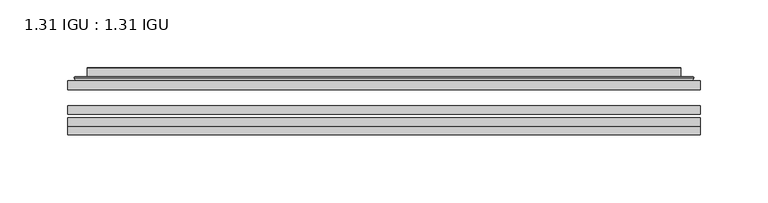
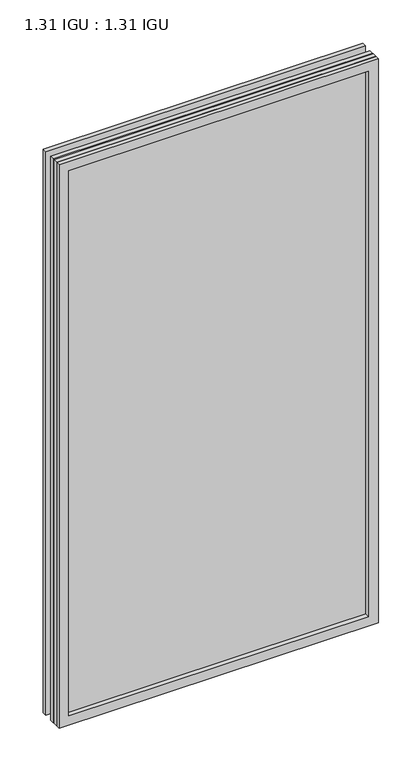
"""IFC4 building model written with IfcOpenShell, lengths in millimetres: plate geometry, 1.31 IGU : 1.31 IGU."""

import ifcopenshell
import ifcopenshell.guid

model = None  # the IFC model being written
_history = None  # IfcOwnerHistory: only IFC2X3 demands one
_inside = {}  # id of a spatial element -> (the spatial element, [elements in it])
_under = {}  # id of a project, library or spatial element -> (it, [spatial elements below it])
_declared = {}  # id of a project -> (the project, [libraries it declares])
_typed = {}  # id of a type object -> (the type object, [elements of that type])
_made_of = {}  # id of a material, layer set ... -> (it, [elements and type objects made of it])


def new_model(schema):
    """Start an empty IFC model of exactly this schema.

    Asked for "IFC4X3", IfcOpenShell would pick the latest addendum, in which some entities
    have other attributes; the version numbers below select the first issue.
    IFC2X3 requires an IfcOwnerHistory on every rooted entity: one is made here for all.
    """
    global model, _history
    if schema == "IFC4X3":
        model = ifcopenshell.file(schema_version=(4, 3, 0, 0))
    else:
        model = ifcopenshell.file(schema=schema)
    _inside.clear()
    _under.clear()
    _declared.clear()
    _typed.clear()
    _made_of.clear()
    _history = None
    if model.schema == "IFC2X3":
        org = make("IfcOrganization", Name="unknown")
        user = make(
            "IfcPersonAndOrganization",
            ThePerson=make("IfcPerson", FamilyName="unknown"),
            TheOrganization=org,
        )
        app = make(
            "IfcApplication",
            ApplicationDeveloper=org,
            Version="unknown",
            ApplicationFullName="unknown",
            ApplicationIdentifier="unknown",
        )
        _history = make(
            "IfcOwnerHistory",
            OwningUser=user,
            OwningApplication=app,
            ChangeAction="ADDED",
            CreationDate=0,
        )
    return model


def make(cls, **values):
    """One entity of the class cls with the attributes given. An attribute that is None is left unset."""
    return model.create_entity(
        cls, **{name: value for name, value in values.items() if value is not None}
    )


def rooted(cls, **values):
    """An entity with a GlobalId (a new one), such as an element, a storey or a relation."""
    return make(cls, GlobalId=ifcopenshell.guid.new(), OwnerHistory=_history, **values)


def si_unit(unit_type, name, prefix=None):
    """IfcSIUnit, for example si_unit("LENGTHUNIT", "METRE", prefix="MILLI")."""
    return make("IfcSIUnit", UnitType=unit_type, Prefix=prefix, Name=name)


def assignment(units):
    """IfcUnitAssignment: the units of a project."""
    return None if units is None else make("IfcUnitAssignment", Units=units)


def point(xyz):
    """IfcCartesianPoint."""
    return None if xyz is None else make("IfcCartesianPoint", Coordinates=xyz)


def direction(xyz):
    """IfcDirection."""
    return None if xyz is None else make("IfcDirection", DirectionRatios=xyz)


def frame(location, z_axis=None, x_axis=None):
    """IfcAxis2Placement3D, a coordinate frame: its origin and axes. An axis left out is left unset."""
    return make(
        "IfcAxis2Placement3D",
        Location=point(location),
        Axis=direction(z_axis),
        RefDirection=direction(x_axis),
    )


def origin():
    """The frame at (0, 0, 0) with its axes left unset."""
    return frame((0.0, 0.0, 0.0))


def place(relative_to, where):
    """IfcLocalPlacement: puts the frame where relative to a parent placement (None: the world)."""
    return make(
        "IfcLocalPlacement", PlacementRelTo=relative_to, RelativePlacement=where
    )


def context(
    kind, dimensions, precision=None, world=None, true_north=None, identifier=None
):
    """IfcGeometricRepresentationContext, for example the 3D "Model" context."""
    return make(
        "IfcGeometricRepresentationContext",
        ContextIdentifier=identifier,
        ContextType=kind,
        CoordinateSpaceDimension=dimensions,
        Precision=precision,
        WorldCoordinateSystem=world,
        TrueNorth=true_north,
    )


def project(units=None, contexts=None):
    """IfcProject with its units and contexts."""
    return rooted(
        "IfcProject",
        Name="project",
        RepresentationContexts=contexts,
        UnitsInContext=assignment(units),
    )


def spatial(cls, under=None, at=None, **own):
    """A site, building, storey or space (cls), placed at a placement, below another one or the project."""
    s = rooted(cls, ObjectPlacement=at, **own)
    if under is not None:
        _under.setdefault(under.id(), (under, []))[1].append(s)
    return s


def polyline(points):
    """IfcPolyline through the points."""
    return make("IfcPolyline", Points=[point(p) for p in points])


def ellipse_curve(where, semi_axis1, semi_axis2):
    """IfcEllipse in the frame where."""
    return make(
        "IfcEllipse", Position=where, SemiAxis1=semi_axis1, SemiAxis2=semi_axis2
    )


def outline(outer, holes=None, kind="AREA"):
    """IfcArbitraryClosedProfileDef: a profile drawn as a closed curve; with holes, ...WithVoids."""
    if holes is None:
        return make("IfcArbitraryClosedProfileDef", ProfileType=kind, OuterCurve=outer)
    return make(
        "IfcArbitraryProfileDefWithVoids",
        ProfileType=kind,
        OuterCurve=outer,
        InnerCurves=holes,
    )


def extrude(swept, where, along, depth):
    """IfcExtrudedAreaSolid: the profile swept, set in the frame where, extruded along a direction by depth."""
    return make(
        "IfcExtrudedAreaSolid",
        SweptArea=swept,
        Position=where,
        ExtrudedDirection=direction(along),
        Depth=depth,
    )


def faces_of(points, faces, orient=None, outer=None):
    """IfcFace entities. A face is a list of loops; a loop is a list of indices into points, from 0.

    orient and outer hold one flag for each loop. By default every Orientation is true, the
    first loop of a face is its IfcFaceOuterBound and the others are IfcFaceBound.
    """
    made = []
    for i, loops in enumerate(faces):
        bounds = []
        for j, loop in enumerate(loops):
            is_outer = j == 0 if outer is None else outer[i][j]
            bounds.append(
                make(
                    "IfcFaceOuterBound" if is_outer else "IfcFaceBound",
                    Bound=make("IfcPolyLoop", Polygon=[points[k] for k in loop]),
                    Orientation=True if orient is None else orient[i][j],
                )
            )
        made.append(make("IfcFace", Bounds=bounds))
    return made


def faceted_brep(points, faces, orient=None, outer=None, voids=None):
    """IfcFacetedBrep: a solid bounded by flat faces; with voids (closed shells), ...WithVoids."""
    shared = [point(p) for p in points]
    hull = make("IfcClosedShell", CfsFaces=faces_of(shared, faces, orient, outer))
    if voids is None:
        return make("IfcFacetedBrep", Outer=hull)
    return make(
        "IfcFacetedBrepWithVoids",
        Outer=hull,
        Voids=[
            make(cls, CfsFaces=faces_of(shared, fs, o, b)) for cls, fs, o, b in voids
        ],
    )


def shape(context_of_items, identifier, shape_type, items):
    """IfcShapeRepresentation: the items that make up one representation, for example the "Body"."""
    return make(
        "IfcShapeRepresentation",
        ContextOfItems=context_of_items,
        RepresentationIdentifier=identifier,
        RepresentationType=shape_type,
        Items=items,
    )


def source(mapping_origin, context_of_items, identifier, shape_type, items):
    """IfcRepresentationMap: a shape defined once, which mapped items show again and again."""
    return make(
        "IfcRepresentationMap",
        MappingOrigin=mapping_origin,
        MappedRepresentation=shape(context_of_items, identifier, shape_type, items),
    )


def transform(
    local_origin,
    x_axis=None,
    y_axis=None,
    z_axis=None,
    scale=None,
    scale2=None,
    scale3=None,
    uniform=True,
):
    """IfcCartesianTransformationOperator3D, or its non-uniform kind. x_axis, y_axis, z_axis: its Axis1, 2, 3."""
    if uniform:
        return make(
            "IfcCartesianTransformationOperator3D",
            Axis1=direction(x_axis),
            Axis2=direction(y_axis),
            LocalOrigin=point(local_origin),
            Scale=scale,
            Axis3=direction(z_axis),
        )
    return make(
        "IfcCartesianTransformationOperator3DnonUniform",
        Axis1=direction(x_axis),
        Axis2=direction(y_axis),
        LocalOrigin=point(local_origin),
        Scale=scale,
        Axis3=direction(z_axis),
        Scale2=scale2,
        Scale3=scale3,
    )


def mapped(mapping_source, mapping_target):
    """IfcMappedItem: shows the shape of a source again, moved by a transform."""
    return make(
        "IfcMappedItem", MappingSource=mapping_source, MappingTarget=mapping_target
    )


def made_of(thing, what):
    """Note that an element or type object is made of a material, layer set ...; save() writes the relation."""
    if what is not None:
        _made_of.setdefault(what.id(), (what, []))[1].append(thing)
    return thing


def element(
    cls,
    number,
    at=None,
    inside=None,
    cuts=None,
    type_object=None,
    material=None,
    context=None,
    identifier="Body",
    shape_type=None,
    held_by="IfcProductDefinitionShape",
    body=None,
    shapes=None,
    **own,
):
    """One element of the class cls, such as IfcWall. Its Tag is "e" and its number.

    at: its placement. inside: the storey or other place that contains it. cuts: it is an
    opening in that element (IfcRelVoidsElement). A single representation is given by context,
    identifier, shape_type and body (its items); several are given by shapes. held_by: the class
    of the entity that holds the representations. save() writes the other relations.
    """
    e = rooted(cls, Tag="e%d" % number, ObjectPlacement=at, **own)
    if body is not None:
        shapes = [shape(context, identifier, shape_type, body)]
    if shapes is not None:
        e.Representation = make(held_by, Representations=shapes)
    if inside is not None:
        _inside.setdefault(inside.id(), (inside, []))[1].append(e)
    if cuts is not None:
        rooted(
            "IfcRelVoidsElement", RelatingBuildingElement=cuts, RelatedOpeningElement=e
        )
    if type_object is not None:
        _typed.setdefault(type_object.id(), (type_object, []))[1].append(e)
    return made_of(e, material)


def aggregate(whole, parts):
    """IfcRelAggregates: a whole, such as a stair, and the parts it consists of."""
    return rooted("IfcRelAggregates", RelatingObject=whole, RelatedObjects=parts)


def save(model, path):
    """Write the relations noted so far, then the file.

    IfcRelAggregates (storeys below a building ...), IfcRelContainedInSpatialStructure (elements
    in a storey), IfcRelDefinesByType, IfcRelAssociatesMaterial and IfcRelDeclares: one each for
    every whole, place, type object, material and project.
    """
    for whole, parts in _under.values():
        aggregate(whole, parts)
    for where, things in _inside.values():
        rooted(
            "IfcRelContainedInSpatialStructure",
            RelatedElements=things,
            RelatingStructure=where,
        )
    for kind, things in _typed.values():
        rooted("IfcRelDefinesByType", RelatedObjects=things, RelatingType=kind)
    for what, things in _made_of.values():
        rooted("IfcRelAssociatesMaterial", RelatedObjects=things, RelatingMaterial=what)
    for by, libraries in _declared.values():
        rooted("IfcRelDeclares", RelatingContext=by, RelatedDefinitions=libraries)
    model.write(path)


def plane_surface(at):
    """IfcPlane: the flat surface through the origin of the frame at, square to its z axis."""
    return make("IfcPlane", Position=at)


def cylinder_surface(at, radius):
    """IfcCylindricalSurface: all points at the distance radius from the z axis of the frame at."""
    return make("IfcCylindricalSurface", Position=at, Radius=radius)


def advanced_brep(points, edges, surfaces, faces):
    """IfcAdvancedBrep: a solid bounded by faces that lie on surfaces and meet in shared edges.

    An edge is (start, end): straight between two places in points (the first is 0);
    or (start, end, curve); or (start, end, curve, False) where it runs against its curve.
    A face is (place in surfaces, loops), or (place, loops, False) where it looks against
    its surface's normal. A loop lists edges by number (the first is 1), with a minus sign
    where the edge is run from its end to its start. The first loop is the outer one.
    """
    corners = [point(p) for p in points]
    vertices = [make("IfcVertexPoint", VertexGeometry=c) for c in corners]
    made = []
    for start, end, *more in edges:
        made.append(
            make(
                "IfcEdgeCurve",
                EdgeStart=vertices[start],
                EdgeEnd=vertices[end],
                EdgeGeometry=more[0] if more else make("IfcPolyline", Points=[corners[start], corners[end]]),
                SameSense=more[1] if len(more) > 1 else True,
            )
        )
    hull = []
    for where, loops, *sense in faces:
        bounds = []
        for j, loop in enumerate(loops):
            ring = [make("IfcOrientedEdge", EdgeElement=made[abs(k) - 1], Orientation=k > 0) for k in loop]
            bounds.append(
                make(
                    "IfcFaceOuterBound" if j == 0 else "IfcFaceBound",
                    Bound=make("IfcEdgeLoop", EdgeList=ring),
                    Orientation=True,
                )
            )
        hull.append(make("IfcAdvancedFace", Bounds=bounds, FaceSurface=surfaces[where], SameSense=sense[0] if sense else True))
    return make("IfcAdvancedBrep", Outer=make("IfcClosedShell", CfsFaces=hull))


def plate_1_31_igu_1_31_igu_06c641ed(model_context):
    return source(origin(), model_context, "Body", "SolidModel", [
        extrude(outline(polyline([(233.376675, -63.2975937), (233.376675, -69.6475938), (-233.3625, -69.6475938), (-233.3625, -63.2975937), (233.376675, -63.2975937)])), frame((0.0, 0.0, -14.2875), z_axis=(0.0, 0.0, 1.0), x_axis=(1.0, 0.0, 0.0)), (0.0, 0.0, 1.0), 869.9537979),
        extrude(outline(polyline([(-233.3625, -78.2835938), (-233.3625, -71.9330887), (233.376675, -71.9330887), (233.376675, -78.2835938), (-233.3625, -78.2835938)])), frame((0.0, 0.0, -14.2875), z_axis=(0.0, 0.0, 1.0), x_axis=(1.0, 0.0, 0.0)), (0.0, 0.0, 1.0), 869.9537979),
        extrude(outline(polyline([(233.376675, -44.9587937), (233.376675, -51.3087938), (-233.3625, -51.3087938), (-233.3625, -44.9587937), (233.376675, -44.9587937)])), frame((0.0, 0.0, -14.2875), z_axis=(0.0, 0.0, 1.0), x_axis=(1.0, 0.0, 0.0)), (0.0, 0.0, 1.0), 869.9537979),
        faceted_brep([(-233.3752, -84.6335937, 855.6752), (-233.3752, -78.2835937, 855.6752), (-233.3752, -78.2835937, -14.3002), (-233.3752, -84.6335937, -14.3002), (233.3752, -78.2835937, -14.3002), (233.3752, -84.6335937, -14.3002), (233.3752, -78.2835937, 855.6752), (233.3752, -84.6335937, 855.6752), (-218.1772559, -78.2835937, 0.8977441), (218.1772559, -78.2835937, 0.8977441), (218.1772559, -78.2835937, 840.4772559), (-218.1772559, -78.2835937, 840.4772559), (-219.0696902, -84.6335937, 841.3696902), (219.0696902, -84.6335937, 841.3696902), (219.0696902, -84.6335937, 0.0053098), (-219.0696902, -84.6335937, 0.0053098)], [[[0, 1, 2, 3]], [[3, 2, 4, 5]], [[5, 4, 6, 7]], [[1, 6, 4, 2], [8, 9, 10, 11]], [[7, 6, 1, 0]], [[3, 5, 7, 0], [12, 13, 14, 15]], [[11, 12, 15, 8]], [[8, 15, 14, 9]], [[9, 14, 13, 10]], [[10, 13, 12, 11]]]),
        advanced_brep(
        [(-226.121219, -44.9587937, 848.421219), (-228.4754244, -42.9691271, 850.7754244), (-228.4754244, -42.9691271, -9.4004244), (-226.121219, -44.9587937, -7.046219), (-217.0468939, -41.1187568, 839.3468939), (-212.1120621, -44.9587937, 834.4120621), (-212.1120621, -44.9587937, 6.9629379), (-217.0468939, -41.1187568, 2.0281061), (-218.0789217, -35.7215256, 840.3789217), (-218.0789217, -35.7215256, 0.9960783), (-219.0695784, -35.3225507, 841.3695784), (-219.0695784, -35.3225507, 0.0054216), (-219.0695784, -41.7837937, 841.3695784), (-219.0695784, -41.7837937, 0.0054216), (-227.4736349, -41.7837937, 849.7736349), (-227.4736349, -41.7837937, -8.3986349), (228.4754244, -42.9691271, -9.4004244), (226.121219, -44.9587937, -7.046219), (212.1120621, -44.9587937, 6.9629379), (217.0468939, -41.1187568, 2.0281061), (218.0789217, -35.7215256, 0.9960783), (219.0695784, -35.3225507, 0.0054216), (219.0695784, -41.7837937, 0.0054216), (227.4736349, -41.7837937, -8.3986349), (228.4754244, -42.9691271, 850.7754244), (226.121219, -44.9587937, 848.421219), (212.1120621, -44.9587937, 834.4120621), (217.0468939, -41.1187568, 839.3468939), (218.0789217, -35.7215256, 840.3789217), (219.0695784, -35.3225507, 841.3695784), (219.0695784, -41.7837937, 841.3695784), (227.4736349, -41.7837937, 849.7736349)],
        [
            (0, 1, ellipse_curve(frame((-226.121219, -42.5711937, 848.421219), z_axis=(-0.7071067811865475, 0.0, -0.7071067811865475), x_axis=(-0.7071067811865474, 0.0, 0.7071067811865476)), 3.3765763, 2.3876)),
            (1, 2),
            (2, 3, ellipse_curve(frame((-226.121219, -42.5711937, -7.046219), z_axis=(-0.7071067811865475, 0.0, 0.7071067811865475), x_axis=(0.7071067811865474, 0.0, 0.7071067811865476)), 3.3765763, 2.3876)),
            (3, 0),
            (4, 5),
            (5, 6),
            (6, 7),
            (7, 4),
            (8, 4),
            (7, 9),
            (9, 8),
            (10, 8, ellipse_curve(frame((-218.7026219, -35.840786, 841.0026219), z_axis=(-0.7071067811865475, 0.0, -0.7071067811865475), x_axis=(-0.7071067811865474, 0.0, 0.7071067811865476)), 0.8980256, 0.635)),
            (9, 11, ellipse_curve(frame((-218.7026219, -35.840786, 0.3723781), z_axis=(-0.7071067811865475, 0.0, 0.7071067811865475), x_axis=(0.7071067811865474, 0.0, 0.7071067811865476)), 0.8980256, 0.635)),
            (11, 10),
            (12, 10),
            (11, 13),
            (13, 12),
            (1, 14, ellipse_curve(frame((-227.4736349, -42.7997937, 849.7736349), z_axis=(-0.7071067811865475, 0.0, -0.7071067811865475), x_axis=(-0.7071067811865474, 0.0, 0.7071067811865476)), 1.436841, 1.016)),
            (14, 15),
            (15, 2, ellipse_curve(frame((-227.4736349, -42.7997937, -8.3986349), z_axis=(-0.7071067811865475, 0.0, 0.7071067811865475), x_axis=(0.7071067811865474, 0.0, 0.7071067811865476)), 1.436841, 1.016)),
            (2, 16),
            (16, 17, ellipse_curve(frame((226.121219, -42.5711937, -7.046219), z_axis=(-0.7071067811865475, 0.0, -0.7071067811865475), x_axis=(-0.7071067811865476, 0.0, 0.7071067811865474)), 3.3765763, 2.3876)),
            (17, 3),
            (6, 18),
            (18, 19),
            (19, 7),
            (19, 20),
            (20, 9),
            (20, 21, ellipse_curve(frame((218.7026219, -35.840786, 0.3723781), z_axis=(-0.7071067811865475, 0.0, -0.7071067811865475), x_axis=(-0.7071067811865476, 0.0, 0.7071067811865474)), 0.8980256, 0.635)),
            (21, 11),
            (21, 22),
            (22, 13),
            (15, 23),
            (23, 16, ellipse_curve(frame((227.4736349, -42.7997937, -8.3986349), z_axis=(-0.7071067811865475, 0.0, -0.7071067811865475), x_axis=(-0.7071067811865476, 0.0, 0.7071067811865474)), 1.436841, 1.016)),
            (16, 24),
            (24, 25, ellipse_curve(frame((226.121219, -42.5711937, 848.421219), z_axis=(0.7071067811865475, 0.0, -0.7071067811865475), x_axis=(-0.7071067811865474, 0.0, -0.7071067811865476)), 3.3765763, 2.3876)),
            (25, 17),
            (18, 26),
            (26, 27),
            (27, 19),
            (27, 28),
            (28, 20),
            (28, 29, ellipse_curve(frame((218.7026219, -35.840786, 841.0026219), z_axis=(0.7071067811865475, 0.0, -0.7071067811865475), x_axis=(-0.7071067811865474, 0.0, -0.7071067811865476)), 0.8980256, 0.635)),
            (29, 21),
            (29, 30),
            (30, 22),
            (23, 31),
            (31, 24, ellipse_curve(frame((227.4736349, -42.7997937, 849.7736349), z_axis=(0.7071067811865475, 0.0, -0.7071067811865475), x_axis=(-0.7071067811865474, 0.0, -0.7071067811865476)), 1.436841, 1.016)),
            (24, 1),
            (0, 25),
            (5, 26),
            (4, 27),
            (8, 28),
            (10, 29),
            (12, 30),
            (14, 31),
        ],
        [
            cylinder_surface(frame((-226.121219, -42.5711937, 873.125), z_axis=(0.0, 0.0, 1.0), x_axis=(-1.0, 0.0, 0.0)), 2.3876),
            plane_surface(frame((-212.1120621, -44.9587937, 834.4120621), z_axis=(0.6141233906514794, 0.7892100234124821, 0.0), x_axis=(0.0, 0.0, -1.0))),
            plane_surface(frame((-217.0468939, -41.1187568, 839.3468939), z_axis=(0.9822050625507729, 0.18781164793386074, 0.0), x_axis=(0.0, 0.0, -1.0))),
            cylinder_surface(frame((-218.7026219, -35.840786, 873.125), z_axis=(0.0, 0.0, 1.0), x_axis=(-1.0, 0.0, 0.0)), 0.635),
            plane_surface(frame((-219.0695784, -35.3225507, 841.3695784), z_axis=(-1.0, 0.0, 0.0), x_axis=(0.0, 0.0, -1.0))),
            cylinder_surface(frame((-227.4736349, -42.7997937, 873.125), z_axis=(0.0, 0.0, 1.0), x_axis=(-1.0, 0.0, 0.0)), 1.016),
            cylinder_surface(frame((-250.825, -42.5711937, -7.046219), z_axis=(-1.0, 0.0, 0.0), x_axis=(0.0, 0.0, -1.0)), 2.3876),
            plane_surface(frame((-212.1120621, -44.9587937, 6.9629379), z_axis=(0.0, 0.7892100234124841, 0.6141233906514768), x_axis=(1.0, 0.0, 0.0))),
            plane_surface(frame((-217.0468939, -41.1187568, 2.0281061), z_axis=(0.0, 0.18781164793386393, 0.9822050625507723), x_axis=(1.0, 0.0, 0.0))),
            cylinder_surface(frame((-250.825, -35.840786, 0.3723781), z_axis=(-1.0, 0.0, 0.0), x_axis=(0.0, 0.0, -1.0)), 0.635),
            plane_surface(frame((-219.0695784, -35.3225507, 0.0054216), z_axis=(0.0, 0.0, -1.0), x_axis=(1.0, 0.0, 0.0))),
            cylinder_surface(frame((-250.825, -42.7997937, -8.3986349), z_axis=(-1.0, 0.0, 0.0), x_axis=(0.0, 0.0, -1.0)), 1.016),
            cylinder_surface(frame((226.121219, -42.5711937, -31.75), z_axis=(0.0, 0.0, -1.0), x_axis=(1.0, 0.0, 0.0)), 2.3876),
            plane_surface(frame((212.1120621, -44.9587937, 6.9629379), z_axis=(-0.6141233906514743, 0.7892100234124861, 0.0), x_axis=(0.0, 0.0, 1.0))),
            plane_surface(frame((217.0468939, -41.1187568, 2.0281061), z_axis=(-0.9822050625507718, 0.18781164793386712, 0.0), x_axis=(0.0, 0.0, 1.0))),
            cylinder_surface(frame((218.7026219, -35.840786, -31.75), z_axis=(0.0, 0.0, -1.0), x_axis=(1.0, 0.0, 0.0)), 0.635),
            plane_surface(frame((219.0695784, -35.3225507, 0.0054216), z_axis=(1.0, 0.0, 0.0), x_axis=(0.0, 0.0, 1.0))),
            cylinder_surface(frame((227.4736349, -42.7997937, -31.75), z_axis=(0.0, 0.0, -1.0), x_axis=(1.0, 0.0, 0.0)), 1.016),
            cylinder_surface(frame((250.825, -42.5711937, 848.421219), z_axis=(1.0, 0.0, 0.0), x_axis=(0.0, 0.0, 1.0)), 2.3876),
            plane_surface(frame((226.121219, -44.9587937, 848.421219), z_axis=(0.0, -1.0, 0.0), x_axis=(-1.0, 0.0, 0.0))),
            plane_surface(frame((212.1120621, -44.9587937, 834.4120621), z_axis=(0.0, 0.7892100234124841, -0.6141233906514768), x_axis=(-1.0, 0.0, 0.0))),
            plane_surface(frame((217.0468939, -41.1187568, 839.3468939), z_axis=(0.0, 0.18781164793386393, -0.9822050625507723), x_axis=(-1.0, 0.0, 0.0))),
            cylinder_surface(frame((250.825, -35.840786, 841.0026219), z_axis=(1.0, 0.0, 0.0), x_axis=(0.0, 0.0, 1.0)), 0.635),
            plane_surface(frame((219.0695784, -35.3225507, 841.3695784), z_axis=(0.0, 0.0, 1.0), x_axis=(-1.0, 0.0, 0.0))),
            plane_surface(frame((219.0695784, -41.7837937, 841.3695784), z_axis=(0.0, 1.0, 0.0), x_axis=(-1.0, 0.0, 0.0))),
            cylinder_surface(frame((250.825, -42.7997937, 849.7736349), z_axis=(1.0, 0.0, 0.0), x_axis=(0.0, 0.0, 1.0)), 1.016),
        ],
        [
            (0, [[1, 2, 3, 4]]),
            (1, [[5, 6, 7, 8]]),
            (2, [[9, -8, 10, 11]]),
            (3, [[12, -11, 13, 14]]),
            (4, [[15, -14, 16, 17]]),
            (5, [[18, 19, 20, -2]]),
            (6, [[-3, 21, 22, 23]]),
            (7, [[-7, 24, 25, 26]]),
            (8, [[-10, -26, 27, 28]]),
            (9, [[-13, -28, 29, 30]]),
            (10, [[-16, -30, 31, 32]]),
            (11, [[-20, 33, 34, -21]]),
            (12, [[-22, 35, 36, 37]]),
            (13, [[-25, 38, 39, 40]]),
            (14, [[-27, -40, 41, 42]]),
            (15, [[-29, -42, 43, 44]]),
            (16, [[-31, -44, 45, 46]]),
            (17, [[-34, 47, 48, -35]]),
            (18, [[-36, 49, -1, 50]]),
            (19, [[-23, -37, -50, -4], [51, -38, -24, -6]]),
            (20, [[-39, -51, -5, 52]]),
            (21, [[-41, -52, -9, 53]]),
            (22, [[-43, -53, -12, 54]]),
            (23, [[-45, -54, -15, 55]]),
            (24, [[56, -47, -33, -19], [-32, -46, -55, -17]]),
            (25, [[-48, -56, -18, -49]]),
        ],
    ),
    ])


if __name__ == "__main__":
    model = new_model("IFC4")
    model_context = context("Model", 3, world=origin())
    ifc_project = project(units=[si_unit("LENGTHUNIT", "METRE", prefix="MILLI")], contexts=[model_context])
    site = spatial("IfcSite", under=ifc_project)
    building = spatial("IfcBuilding", under=site)
    placement = place(None, origin())
    plate_1_31_igu_1_31_igu_shape = plate_1_31_igu_1_31_igu_06c641ed(model_context)
    element("IfcPlate", 1, ObjectType="1.31 IGU : 1.31 IGU", at=placement, inside=building, context=model_context, shape_type="MappedRepresentation", body=[
        mapped(plate_1_31_igu_1_31_igu_shape, transform((0.0, 0.0, 0.0), x_axis=(1.0, 0.0, 0.0), y_axis=(0.0, 1.0, 0.0), z_axis=(0.0, 0.0, 1.0))),
    ])
    save(model, "model.ifc")
